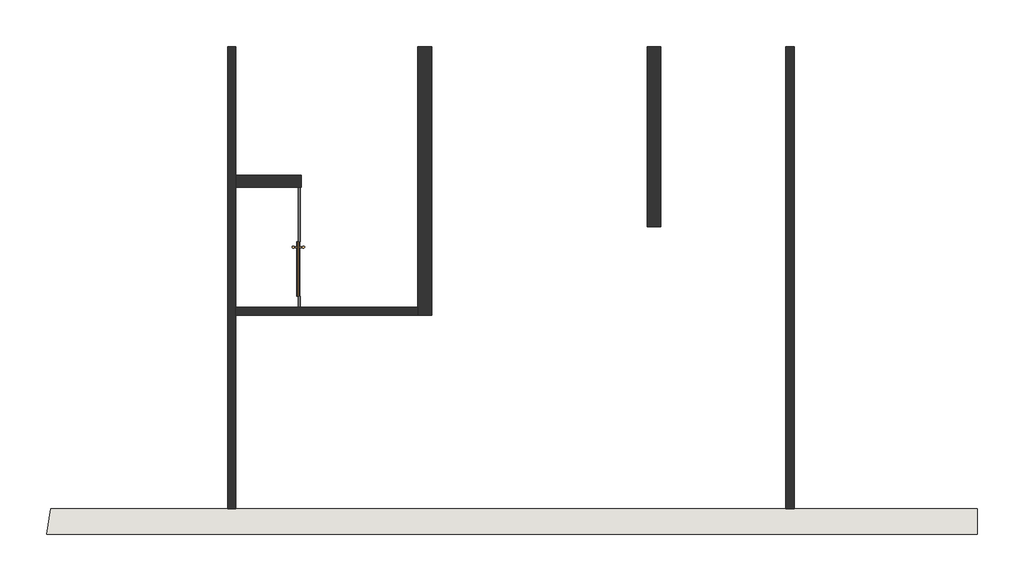
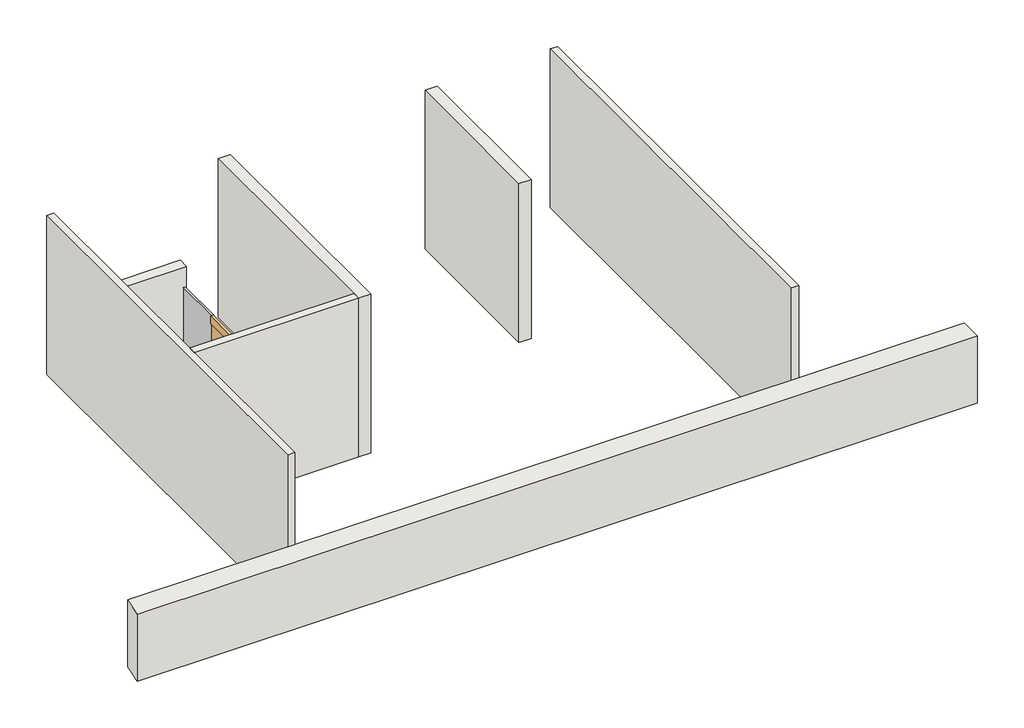
# One storey: 7 walls, 2 plates, 1 door.
"""IFC4 building model written with IfcOpenShell, lengths in millimetres."""

import ifcopenshell
import ifcopenshell.guid

model = None  # the IFC model being written
_history = None  # IfcOwnerHistory: only IFC2X3 demands one
_inside = {}  # id of a spatial element -> (the spatial element, [elements in it])
_under = {}  # id of a project, library or spatial element -> (it, [spatial elements below it])
_declared = {}  # id of a project -> (the project, [libraries it declares])
_typed = {}  # id of a type object -> (the type object, [elements of that type])
_made_of = {}  # id of a material, layer set ... -> (it, [elements and type objects made of it])


def new_model(schema):
    """Start an empty IFC model of exactly this schema.

    Asked for "IFC4X3", IfcOpenShell would pick the latest addendum, in which some entities
    have other attributes; the version numbers below select the first issue.
    IFC2X3 requires an IfcOwnerHistory on every rooted entity: one is made here for all.
    """
    global model, _history
    if schema == "IFC4X3":
        model = ifcopenshell.file(schema_version=(4, 3, 0, 0))
    else:
        model = ifcopenshell.file(schema=schema)
    _inside.clear()
    _under.clear()
    _declared.clear()
    _typed.clear()
    _made_of.clear()
    _history = None
    if model.schema == "IFC2X3":
        org = make("IfcOrganization", Name="unknown")
        user = make(
            "IfcPersonAndOrganization",
            ThePerson=make("IfcPerson", FamilyName="unknown"),
            TheOrganization=org,
        )
        app = make(
            "IfcApplication",
            ApplicationDeveloper=org,
            Version="unknown",
            ApplicationFullName="unknown",
            ApplicationIdentifier="unknown",
        )
        _history = make(
            "IfcOwnerHistory",
            OwningUser=user,
            OwningApplication=app,
            ChangeAction="ADDED",
            CreationDate=0,
        )
    return model


def make(cls, **values):
    """One entity of the class cls with the attributes given. An attribute that is None is left unset."""
    return model.create_entity(
        cls, **{name: value for name, value in values.items() if value is not None}
    )


def rooted(cls, **values):
    """An entity with a GlobalId (a new one), such as an element, a storey or a relation."""
    return make(cls, GlobalId=ifcopenshell.guid.new(), OwnerHistory=_history, **values)


def si_unit(unit_type, name, prefix=None):
    """IfcSIUnit, for example si_unit("LENGTHUNIT", "METRE", prefix="MILLI")."""
    return make("IfcSIUnit", UnitType=unit_type, Prefix=prefix, Name=name)


def assignment(units):
    """IfcUnitAssignment: the units of a project."""
    return None if units is None else make("IfcUnitAssignment", Units=units)


def point(xyz):
    """IfcCartesianPoint."""
    return None if xyz is None else make("IfcCartesianPoint", Coordinates=xyz)


def direction(xyz):
    """IfcDirection."""
    return None if xyz is None else make("IfcDirection", DirectionRatios=xyz)


def frame(location, z_axis=None, x_axis=None):
    """IfcAxis2Placement3D, a coordinate frame: its origin and axes. An axis left out is left unset."""
    return make(
        "IfcAxis2Placement3D",
        Location=point(location),
        Axis=direction(z_axis),
        RefDirection=direction(x_axis),
    )


def frame_2d(location, x_axis=None):
    """IfcAxis2Placement2D, a coordinate frame in the plane: its origin and x axis."""
    return make(
        "IfcAxis2Placement2D", Location=point(location), RefDirection=direction(x_axis)
    )


def origin():
    """The frame at (0, 0, 0) with its axes left unset."""
    return frame((0.0, 0.0, 0.0))


def origin_with_axes():
    """The frame at (0, 0, 0) with the z axis (0, 0, 1) and the x axis (1, 0, 0) written out."""
    return frame((0.0, 0.0, 0.0), z_axis=(0.0, 0.0, 1.0), x_axis=(1.0, 0.0, 0.0))


def place(relative_to, where):
    """IfcLocalPlacement: puts the frame where relative to a parent placement (None: the world)."""
    return make(
        "IfcLocalPlacement", PlacementRelTo=relative_to, RelativePlacement=where
    )


def context(
    kind, dimensions, precision=None, world=None, true_north=None, identifier=None
):
    """IfcGeometricRepresentationContext, for example the 3D "Model" context."""
    return make(
        "IfcGeometricRepresentationContext",
        ContextIdentifier=identifier,
        ContextType=kind,
        CoordinateSpaceDimension=dimensions,
        Precision=precision,
        WorldCoordinateSystem=world,
        TrueNorth=true_north,
    )


def project(units=None, contexts=None):
    """IfcProject with its units and contexts."""
    return rooted(
        "IfcProject",
        Name="project",
        RepresentationContexts=contexts,
        UnitsInContext=assignment(units),
    )


def spatial(cls, under=None, at=None, **own):
    """A site, building, storey or space (cls), placed at a placement, below another one or the project."""
    s = rooted(cls, ObjectPlacement=at, **own)
    if under is not None:
        _under.setdefault(under.id(), (under, []))[1].append(s)
    return s


def polyline(points):
    """IfcPolyline through the points."""
    return make("IfcPolyline", Points=[point(p) for p in points])


def circle_curve(where, radius):
    """IfcCircle in the frame where."""
    return make("IfcCircle", Position=where, Radius=radius)


def trimmed(basis, trim1, trim2, sense, master):
    """IfcTrimmedCurve: the piece of a basis curve between two trims."""
    return make(
        "IfcTrimmedCurve",
        BasisCurve=basis,
        Trim1=trim1,
        Trim2=trim2,
        SenseAgreement=sense,
        MasterRepresentation=master,
    )


def segment(curve, same_sense, transition):
    """IfcCompositeCurveSegment."""
    return make(
        "IfcCompositeCurveSegment",
        Transition=transition,
        SameSense=same_sense,
        ParentCurve=curve,
    )


def composite_curve(segments, self_intersect=None):
    """IfcCompositeCurve: segments joined end to end."""
    return make("IfcCompositeCurve", Segments=segments, SelfIntersect=self_intersect)


def outline(outer, holes=None, kind="AREA"):
    """IfcArbitraryClosedProfileDef: a profile drawn as a closed curve; with holes, ...WithVoids."""
    if holes is None:
        return make("IfcArbitraryClosedProfileDef", ProfileType=kind, OuterCurve=outer)
    return make(
        "IfcArbitraryProfileDefWithVoids",
        ProfileType=kind,
        OuterCurve=outer,
        InnerCurves=holes,
    )


def extrude(swept, where, along, depth):
    """IfcExtrudedAreaSolid: the profile swept, set in the frame where, extruded along a direction by depth."""
    return make(
        "IfcExtrudedAreaSolid",
        SweptArea=swept,
        Position=where,
        ExtrudedDirection=direction(along),
        Depth=depth,
    )


def faces_of(points, faces, orient=None, outer=None):
    """IfcFace entities. A face is a list of loops; a loop is a list of indices into points, from 0.

    orient and outer hold one flag for each loop. By default every Orientation is true, the
    first loop of a face is its IfcFaceOuterBound and the others are IfcFaceBound.
    """
    made = []
    for i, loops in enumerate(faces):
        bounds = []
        for j, loop in enumerate(loops):
            is_outer = j == 0 if outer is None else outer[i][j]
            bounds.append(
                make(
                    "IfcFaceOuterBound" if is_outer else "IfcFaceBound",
                    Bound=make("IfcPolyLoop", Polygon=[points[k] for k in loop]),
                    Orientation=True if orient is None else orient[i][j],
                )
            )
        made.append(make("IfcFace", Bounds=bounds))
    return made


def faceted_brep(points, faces, orient=None, outer=None, voids=None):
    """IfcFacetedBrep: a solid bounded by flat faces; with voids (closed shells), ...WithVoids."""
    shared = [point(p) for p in points]
    hull = make("IfcClosedShell", CfsFaces=faces_of(shared, faces, orient, outer))
    if voids is None:
        return make("IfcFacetedBrep", Outer=hull)
    return make(
        "IfcFacetedBrepWithVoids",
        Outer=hull,
        Voids=[
            make(cls, CfsFaces=faces_of(shared, fs, o, b)) for cls, fs, o, b in voids
        ],
    )


def shape(context_of_items, identifier, shape_type, items):
    """IfcShapeRepresentation: the items that make up one representation, for example the "Body"."""
    return make(
        "IfcShapeRepresentation",
        ContextOfItems=context_of_items,
        RepresentationIdentifier=identifier,
        RepresentationType=shape_type,
        Items=items,
    )


def source(mapping_origin, context_of_items, identifier, shape_type, items):
    """IfcRepresentationMap: a shape defined once, which mapped items show again and again."""
    return make(
        "IfcRepresentationMap",
        MappingOrigin=mapping_origin,
        MappedRepresentation=shape(context_of_items, identifier, shape_type, items),
    )


def transform(
    local_origin,
    x_axis=None,
    y_axis=None,
    z_axis=None,
    scale=None,
    scale2=None,
    scale3=None,
    uniform=True,
):
    """IfcCartesianTransformationOperator3D, or its non-uniform kind. x_axis, y_axis, z_axis: its Axis1, 2, 3."""
    if uniform:
        return make(
            "IfcCartesianTransformationOperator3D",
            Axis1=direction(x_axis),
            Axis2=direction(y_axis),
            LocalOrigin=point(local_origin),
            Scale=scale,
            Axis3=direction(z_axis),
        )
    return make(
        "IfcCartesianTransformationOperator3DnonUniform",
        Axis1=direction(x_axis),
        Axis2=direction(y_axis),
        LocalOrigin=point(local_origin),
        Scale=scale,
        Axis3=direction(z_axis),
        Scale2=scale2,
        Scale3=scale3,
    )


def mapped(mapping_source, mapping_target):
    """IfcMappedItem: shows the shape of a source again, moved by a transform."""
    return make(
        "IfcMappedItem", MappingSource=mapping_source, MappingTarget=mapping_target
    )


def made_of(thing, what):
    """Note that an element or type object is made of a material, layer set ...; save() writes the relation."""
    if what is not None:
        _made_of.setdefault(what.id(), (what, []))[1].append(thing)
    return thing


def element(
    cls,
    number,
    at=None,
    inside=None,
    cuts=None,
    type_object=None,
    material=None,
    context=None,
    identifier="Body",
    shape_type=None,
    held_by="IfcProductDefinitionShape",
    body=None,
    shapes=None,
    **own,
):
    """One element of the class cls, such as IfcWall. Its Tag is "e" and its number.

    at: its placement. inside: the storey or other place that contains it. cuts: it is an
    opening in that element (IfcRelVoidsElement). A single representation is given by context,
    identifier, shape_type and body (its items); several are given by shapes. held_by: the class
    of the entity that holds the representations. save() writes the other relations.
    """
    e = rooted(cls, Tag="e%d" % number, ObjectPlacement=at, **own)
    if body is not None:
        shapes = [shape(context, identifier, shape_type, body)]
    if shapes is not None:
        e.Representation = make(held_by, Representations=shapes)
    if inside is not None:
        _inside.setdefault(inside.id(), (inside, []))[1].append(e)
    if cuts is not None:
        rooted(
            "IfcRelVoidsElement", RelatingBuildingElement=cuts, RelatedOpeningElement=e
        )
    if type_object is not None:
        _typed.setdefault(type_object.id(), (type_object, []))[1].append(e)
    return made_of(e, material)


def aggregate(whole, parts):
    """IfcRelAggregates: a whole, such as a stair, and the parts it consists of."""
    return rooted("IfcRelAggregates", RelatingObject=whole, RelatedObjects=parts)


def save(model, path):
    """Write the relations noted so far, then the file.

    IfcRelAggregates (storeys below a building ...), IfcRelContainedInSpatialStructure (elements
    in a storey), IfcRelDefinesByType, IfcRelAssociatesMaterial and IfcRelDeclares: one each for
    every whole, place, type object, material and project.
    """
    for whole, parts in _under.values():
        aggregate(whole, parts)
    for where, things in _inside.values():
        rooted(
            "IfcRelContainedInSpatialStructure",
            RelatedElements=things,
            RelatingStructure=where,
        )
    for kind, things in _typed.values():
        rooted("IfcRelDefinesByType", RelatedObjects=things, RelatingType=kind)
    for what, things in _made_of.values():
        rooted("IfcRelAssociatesMaterial", RelatedObjects=things, RelatingMaterial=what)
    for by, libraries in _declared.values():
        rooted("IfcRelDeclares", RelatingContext=by, RelatedDefinitions=libraries)
    model.write(path)


def curtain_wall_panel_door_4861_ba4166fc(model_context):
    return source(origin(), model_context, "Body", "SweptSolid", [
        extrude(outline(polyline([(381.0, -50.0), (-381.0, -50.0), (-381.0, -38.0), (381.0, -38.0), (381.0, -50.0)])), frame((0.0, 0.0, 125.0), z_axis=(0.0, 0.0, 1.0), x_axis=(1.0, 0.0, 0.0)), (0.0, 0.0, 1.0), 2021.6164637),
        extrude(outline(composite_curve([segment(trimmed(circle_curve(frame_2d((-306.0, 28.0)), 15.0), [point((-306.0, 43.0))], [point((-306.0, 13.0))], False, "CARTESIAN"), True, "CONTINUOUS"), segment(trimmed(circle_curve(frame_2d((-306.0, 28.0)), 15.0), [point((-306.0, 13.0))], [point((-306.0, 43.0))], False, "CARTESIAN"), True, "CONTINUOUS")], self_intersect=False)), frame((0.0, 0.0, 650.0), z_axis=(0.0, 0.0, 1.0), x_axis=(1.0, 0.0, 0.0)), (0.0, 0.0, 1.0), 900.0),
        extrude(outline(composite_curve([segment(trimmed(circle_curve(frame_2d((-306.0, -116.0)), 15.0), [point((-306.0, -101.0))], [point((-306.0, -131.0))], False, "CARTESIAN"), True, "CONTINUOUS"), segment(trimmed(circle_curve(frame_2d((-306.0, -116.0)), 15.0), [point((-306.0, -131.0))], [point((-306.0, -101.0))], False, "CARTESIAN"), True, "CONTINUOUS")], self_intersect=False)), frame((0.0, 0.0, 650.0), z_axis=(0.0, 0.0, 1.0), x_axis=(1.0, 0.0, 0.0)), (0.0, 0.0, 1.0), 900.0),
        extrude(outline(polyline([(381.0, -25.0), (381.0, -63.0), (-381.0, -63.0), (-381.0, -25.0), (381.0, -25.0)])), origin_with_axes(), (0.0, 0.0, 1.0), 125.0),
        extrude(outline(polyline([(381.0, -25.0), (381.0, -63.0), (-381.0, -63.0), (-381.0, -25.0), (381.0, -25.0)])), frame((0.0, 0.0, 2146.6164637), z_axis=(0.0, 0.0, 1.0), x_axis=(1.0, 0.0, 0.0)), (0.0, 0.0, 1.0), 125.0),
        extrude(outline(composite_curve([segment(trimmed(circle_curve(frame_2d((1450.0, -306.0)), 8.0), [point((1450.0, -298.0))], [point((1450.0, -314.0))], False, "CARTESIAN"), True, "CONTINUOUS"), segment(trimmed(circle_curve(frame_2d((1450.0, -306.0)), 8.0), [point((1450.0, -314.0))], [point((1450.0, -298.0))], False, "CARTESIAN"), True, "CONTINUOUS")], self_intersect=False)), frame((0.0, -38.0, 0.0), z_axis=(0.0, 1.0, 0.0), x_axis=(0.0, 0.0, 1.0)), (0.0, 0.0, 1.0), 66.0),
        extrude(outline(composite_curve([segment(trimmed(circle_curve(frame_2d((1450.0, -306.0)), 8.0), [point((1450.0, -298.0))], [point((1450.0, -314.0))], False, "CARTESIAN"), True, "CONTINUOUS"), segment(trimmed(circle_curve(frame_2d((1450.0, -306.0)), 8.0), [point((1450.0, -314.0))], [point((1450.0, -298.0))], False, "CARTESIAN"), True, "CONTINUOUS")], self_intersect=False)), frame((0.0, -116.0, 0.0), z_axis=(0.0, 1.0, 0.0), x_axis=(0.0, 0.0, 1.0)), (0.0, 0.0, 1.0), 66.0),
        extrude(outline(composite_curve([segment(trimmed(circle_curve(frame_2d((750.0, -306.0)), 8.0), [point((750.0, -298.0))], [point((750.0, -314.0))], False, "CARTESIAN"), True, "CONTINUOUS"), segment(trimmed(circle_curve(frame_2d((750.0, -306.0)), 8.0), [point((750.0, -314.0))], [point((750.0, -298.0))], False, "CARTESIAN"), True, "CONTINUOUS")], self_intersect=False)), frame((0.0, -38.0, 0.0), z_axis=(0.0, 1.0, 0.0), x_axis=(0.0, 0.0, 1.0)), (0.0, 0.0, 1.0), 66.0),
        extrude(outline(composite_curve([segment(trimmed(circle_curve(frame_2d((750.0, -306.0)), 8.0), [point((750.0, -298.0))], [point((750.0, -314.0))], False, "CARTESIAN"), True, "CONTINUOUS"), segment(trimmed(circle_curve(frame_2d((750.0, -306.0)), 8.0), [point((750.0, -314.0))], [point((750.0, -298.0))], False, "CARTESIAN"), True, "CONTINUOUS")], self_intersect=False)), frame((0.0, -116.0, 0.0), z_axis=(0.0, 1.0, 0.0), x_axis=(0.0, 0.0, 1.0)), (0.0, 0.0, 1.0), 66.0),
    ])


def system_panel_glazed_3f5d63f0(model_context):
    return source(origin(), model_context, "Body", "SweptSolid", [
        extrude(outline(polyline([(381.0000002, -44.45), (-381.0000002, -44.45), (-381.0000002, -19.05), (381.0000002, -19.05), (381.0000002, -44.45)])), origin_with_axes(), (0.0, 0.0, 1.0), 2271.6164637),
    ])


def system_panel_glazed_1b1fa93c(model_context):
    return source(origin(), model_context, "Body", "SweptSolid", [
        extrude(outline(polyline([(76.1999998, -44.45), (-76.1999998, -44.45), (-76.1999998, -19.05), (76.1999998, -19.05), (76.1999998, -44.45)])), origin_with_axes(), (0.0, 0.0, 1.0), 2271.6164637),
    ])


model = new_model("IFC4")

# Units and contexts
model_context = context("Model", 3, world=origin())
ifc_project = project(units=[si_unit("LENGTHUNIT", "METRE", prefix="MILLI")], contexts=[model_context])

# Site, building, storey
site = spatial("IfcSite", under=ifc_project)
building = spatial("IfcBuilding", under=site)
storey = spatial("IfcBuildingStorey", under=building, Elevation=9245.6)

# Door
placement = place(None, origin())
curtain_wall_panel_door_4861_shape = curtain_wall_panel_door_4861_ba4166fc(model_context)
element("IfcDoor", 1, ObjectType="Curtain_Wall_Panel_Door_4861", at=placement, inside=storey, context=model_context, shape_type="MappedRepresentation", body=[
    mapped(curtain_wall_panel_door_4861_shape, transform((-9970.933741, 4588.146318, 8686.8), x_axis=(0.0, -1.0, 0.0), y_axis=(1.0, 0.0, 0.0), z_axis=(0.0, 0.0, 1.0))),
])

# Plates
system_panel_glazed_shape = system_panel_glazed_3f5d63f0(model_context)
element("IfcPlate", 2, ObjectType="System Panel : Glazed", at=placement, inside=storey, context=model_context, shape_type="MappedRepresentation", body=[
    mapped(system_panel_glazed_shape, transform((-9970.933741, 5350.1463182, 8686.8), x_axis=(0.0, -1.0, 0.0), y_axis=(1.0, 0.0, 0.0), z_axis=(0.0, 0.0, 1.0))),
])
system_panel_glazed_2_shape = system_panel_glazed_1b1fa93c(model_context)
element("IfcPlate", 3, ObjectType="System Panel : Glazed", at=placement, inside=storey, context=model_context, shape_type="MappedRepresentation", body=[
    mapped(system_panel_glazed_2_shape, transform((-9970.933741, 4130.9463182, 8686.8), x_axis=(0.0, -1.0, 0.0), y_axis=(1.0, 0.0, 0.0), z_axis=(0.0, 0.0, 1.0))),
])

# Walls
element("IfcWall", 4, at=placement, inside=storey, context=model_context, shape_type="SweptSolid", body=[
    extrude(outline(polyline([(-4954.4383323, 7694.191565), (-4954.4383323, 5179.7407335), (-5144.9383323, 5179.7407335), (-5144.9383323, 7694.191565), (-4954.4383323, 7694.191565)])), frame((0.0, 0.0, 8686.8), z_axis=(0.0, 0.0, 1.0), x_axis=(1.0, 0.0, 0.0)), (0.0, 0.0, 1.0), 2599.2335938),
])
element("IfcWall", 5, at=placement, inside=storey, context=model_context, shape_type="Brep", body=[
    faceted_brep([(-8345.3344236, 7694.191565, 8686.8), (-8345.3344236, 4054.7463183, 8686.8), (-8345.3344236, 3940.4463183, 8686.8), (-8345.3344236, 3940.4463183, 11286.0335937), (-8345.3344236, 4054.7463183, 11286.0335937), (-8345.3344236, 7694.191565, 11286.0335937), (-8154.8344236, 7694.191565, 8686.8), (-8154.8344236, 7694.191565, 11286.0335937), (-8154.8344236, 3940.4463183, 11286.0335937), (-8154.8344236, 3940.4463183, 8686.8)], [[[0, 1, 2, 3, 4, 5]], [[6, 7, 8, 9]], [[2, 1, 0, 6, 9]], [[5, 4, 3, 8, 7]], [[0, 5, 7, 6]], [[3, 2, 9, 8]]]),
])
element("IfcWall", 6, at=placement, inside=storey, context=model_context, shape_type="Brep", body=[
    faceted_brep([(-534.0137595, 1239.3757916, 8686.8), (-3093.3818654, 1239.3757916, 8686.8), (-3207.6818654, 1239.3757916, 8686.8), (-10885.333741, 1239.3757916, 8686.8), (-10999.633741, 1239.3757916, 8686.8), (-13472.5583811, 1239.3757916, 8686.8), (-13472.5583811, 1239.3757916, 9779.0), (-534.0137595, 1239.3757916, 9779.0), (-534.0137595, 883.8007916, 8686.8), (-534.0137595, 883.8007916, 9779.0), (-13529.4548073, 883.8007916, 9779.0), (-13529.4548073, 883.8007916, 8686.8)], [[[0, 1, 2, 3, 4, 5, 6, 7]], [[8, 9, 10, 11]], [[5, 4, 3, 2, 1, 0, 8, 11]], [[7, 6, 10, 9]], [[0, 7, 9, 8]], [[6, 5, 11, 10]]]),
])
element("IfcWall", 7, ObjectType="STO Interior - 4 1/2\" Partition", at=placement, inside=storey, context=model_context, shape_type="Brep", body=[
    faceted_brep([(-10999.633741, 7694.191565, 8686.8), (-10999.633741, 1239.3757916, 8686.8), (-10999.633741, 1239.3757916, 11286.0335937), (-10999.633741, 7694.191565, 11286.0335937), (-10885.333741, 7694.191565, 8686.8), (-10885.333741, 7694.191565, 11286.0335937), (-10885.333741, 5896.2463183, 11286.0335937), (-10885.333741, 5731.1463183, 11286.0335937), (-10885.333741, 4054.7463183, 11286.0335937), (-10885.333741, 3940.4463183, 11286.0335937), (-10885.333741, 1239.3757916, 11286.0335937), (-10885.333741, 1239.3757916, 8686.8), (-10885.333741, 3940.4463183, 8686.8), (-10885.333741, 4054.7463183, 8686.8), (-10885.333741, 5731.1463183, 8686.8), (-10885.333741, 5896.2463183, 8686.8)], [[[0, 1, 2, 3]], [[4, 5, 6, 7, 8, 9, 10, 11, 12, 13, 14, 15]], [[1, 0, 4, 15, 14, 13, 12, 11]], [[3, 2, 10, 9, 8, 7, 6, 5]], [[0, 3, 5, 4]], [[2, 1, 11, 10]]]),
])
element("IfcWall", 8, ObjectType="STO Interior - 4 1/2\" Partition", at=placement, inside=storey, context=model_context, shape_type="SweptSolid", body=[
    extrude(outline(polyline([(-8345.3344236, 3940.4463183), (-10885.333741, 3940.4463183), (-10885.333741, 4054.7463183), (-8345.3344236, 4054.7463183), (-8345.3344236, 3940.4463183)])), frame((0.0, 0.0, 8686.8), z_axis=(0.0, 0.0, 1.0), x_axis=(1.0, 0.0, 0.0)), (0.0, 0.0, 1.0), 2599.2335938),
])
element("IfcWall", 9, ObjectType="STO Interior - 4 1/2\" Partition", at=placement, inside=storey, context=model_context, shape_type="SweptSolid", body=[
    extrude(outline(polyline([(-3207.6818654, 1239.3757916), (-3207.6818654, 7694.191565), (-3093.3818654, 7694.191565), (-3093.3818654, 1239.3757916), (-3207.6818654, 1239.3757916)])), frame((0.0, 0.0, 8686.8), z_axis=(0.0, 0.0, 1.0), x_axis=(1.0, 0.0, 0.0)), (0.0, 0.0, 1.0), 2599.2335938),
])
element("IfcWall", 10, ObjectType="STO Interior - 6 1/2\" Partition", at=placement, inside=storey, context=model_context, shape_type="SweptSolid", body=[
    extrude(outline(polyline([(-9970.933741, 5731.1463183), (-10885.333741, 5731.1463183), (-10885.333741, 5896.2463183), (-9970.933741, 5896.2463183), (-9970.933741, 5731.1463183)])), frame((0.0, 0.0, 8686.8), z_axis=(0.0, 0.0, 1.0), x_axis=(1.0, 0.0, 0.0)), (0.0, 0.0, 1.0), 2599.2335938),
])

save(model, "model.ifc")
